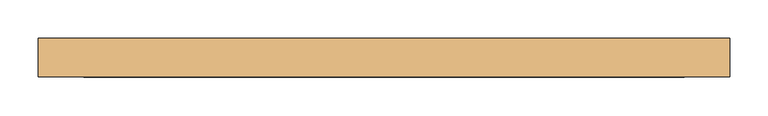
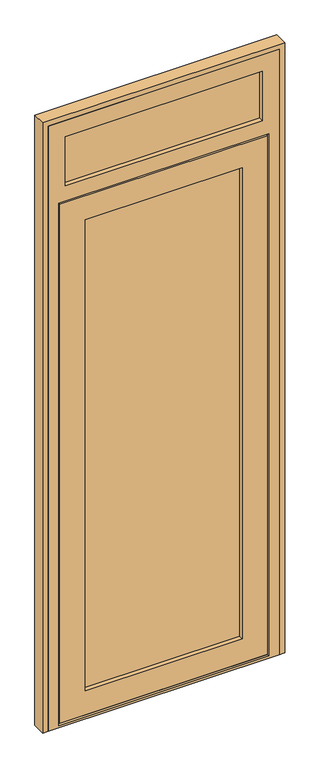
"""IFC4 building model written with IfcOpenShell, lengths in millimetres: door geometry."""

from ifc_helpers import new_model, si_unit, frame, origin, place, context, project, spatial, polyline, outline, extrude, faceted_brep, source, transform, mapped, element, save


def door_e3e9c6ef(model_context):
    return source(origin(), model_context, "Body", "SolidModel", [
        extrude(outline(polyline([(435.0, 91.0), (435.0, 67.0), (-185.0, 67.0), (-185.0, 91.0), (435.0, 91.0)])), frame((0.0, 0.0, 93.0), z_axis=(0.0, 0.0, 1.0), x_axis=(1.0, 0.0, 0.0)), (0.0, 0.0, 1.0), 1888.0),
        extrude(outline(polyline([(509.0, 91.0), (509.0, 67.0), (-259.0, 67.0), (-259.0, 91.0), (509.0, 91.0)])), frame((0.0, 0.0, 2105.0), z_axis=(0.0, 0.0, 1.0), x_axis=(1.0, 0.0, 0.0)), (0.0, 0.0, 1.0), 229.0),
        faceted_brep([(-261.0, 59.0, 17.0), (-251.0, 59.0, 17.0), (-251.0, 91.0, 17.0), (-241.0, 91.0, 17.0), (-241.0, 59.0, 17.0), (491.0, 59.0, 17.0), (491.0, 91.0, 17.0), (501.0, 91.0, 17.0), (501.0, 59.0, 17.0), (511.0, 59.0, 17.0), (511.0, 50.0, 17.0), (-261.0, 50.0, 17.0), (-261.0, 50.0, 2057.0), (-261.0, 59.0, 2057.0), (511.0, 50.0, 2057.0), (-167.0, 50.0, 1963.0), (417.0, 50.0, 1963.0), (417.0, 50.0, 111.0), (-167.0, 50.0, 111.0), (-167.0, 67.0, 111.0), (-167.0, 67.0, 1963.0), (435.0, 67.0, 1981.0), (435.0, 67.0, 93.0), (-185.0, 67.0, 93.0), (-185.0, 67.0, 1981.0), (417.0, 67.0, 111.0), (417.0, 67.0, 1963.0), (-185.0, 91.0, 93.0), (-185.0, 91.0, 1981.0), (435.0, 91.0, 93.0), (435.0, 91.0, 1981.0), (-167.0, 91.0, 1963.0), (417.0, 91.0, 1963.0), (417.0, 91.0, 111.0), (-167.0, 91.0, 111.0), (-167.0, 100.0, 111.0), (-167.0, 100.0, 1963.0), (486.0, 100.0, 2032.0), (486.0, 100.0, 42.0), (-236.0, 100.0, 42.0), (-236.0, 100.0, 2032.0), (417.0, 100.0, 111.0), (417.0, 100.0, 1963.0), (-236.0, 91.0, 42.0), (-236.0, 91.0, 2032.0), (491.0, 91.0, 27.0), (-241.0, 91.0, 27.0), (-251.0, 91.0, 2047.0), (501.0, 91.0, 2047.0), (486.0, 91.0, 42.0), (486.0, 91.0, 2032.0), (-251.0, 59.0, 2047.0), (511.0, 59.0, 2057.0), (501.0, 59.0, 2047.0), (491.0, 59.0, 27.0), (-241.0, 59.0, 27.0)], [[[0, 1, 2, 3, 4, 5, 6, 7, 8, 9, 10, 11]], [[11, 12, 13, 0]], [[10, 14, 12, 11], [15, 16, 17, 18]], [[15, 18, 19, 20]], [[21, 22, 23, 24], [20, 19, 25, 26]], [[23, 27, 28, 24]], [[28, 27, 29, 30], [31, 32, 33, 34]], [[31, 34, 35, 36]], [[37, 38, 39, 40], [36, 35, 41, 42]], [[39, 43, 44, 40]], [[45, 46, 3, 2, 47, 48, 7, 6], [44, 43, 49, 50]], [[1, 51, 47, 2]], [[0, 13, 52, 9, 8, 53, 51, 1]], [[12, 14, 52, 13]], [[15, 20, 26, 16]], [[24, 28, 30, 21]], [[31, 36, 42, 32]], [[40, 44, 50, 37]], [[47, 51, 53, 48]], [[10, 9, 52, 14]], [[26, 25, 17, 16]], [[29, 22, 21, 30]], [[42, 41, 33, 32]], [[49, 38, 37, 50]], [[48, 53, 8, 7]], [[19, 18, 17, 25]], [[22, 29, 27, 23]], [[35, 34, 33, 41]], [[45, 6, 5, 54]], [[55, 4, 3, 46]], [[54, 55, 46, 45]], [[43, 39, 38, 49]], [[4, 55, 54, 5]]]),
        faceted_brep([(555.0, 100.0, 0.0), (555.0, 50.0, 0.0), (-305.0, 50.0, 0.0), (-305.0, 100.0, 0.0), (555.0, 50.0, 2380.0), (-305.0, 50.0, 2380.0), (-266.0, 50.0, 9.0), (-266.0, 50.0, 2062.0), (516.0, 50.0, 2062.0), (516.0, 50.0, 9.0), (491.0, 50.0, 2316.0), (491.0, 50.0, 2123.0), (-241.0, 50.0, 2123.0), (-241.0, 50.0, 2316.0), (-266.0, 59.0, 9.0), (-266.0, 59.0, 2062.0), (516.0, 59.0, 9.0), (516.0, 59.0, 2062.0), (-251.0, 59.0, 2047.0), (501.0, 59.0, 2047.0), (501.0, 59.0, 27.0), (-251.0, 59.0, 27.0), (-251.0, 91.0, 27.0), (-251.0, 91.0, 2047.0), (-241.0, 91.0, 27.0), (-241.0, 91.0, 2037.0), (491.0, 91.0, 2037.0), (491.0, 91.0, 27.0), (501.0, 91.0, 27.0), (501.0, 91.0, 2047.0), (-241.0, 100.0, 27.0), (-241.0, 100.0, 2037.0), (555.0, 100.0, 2380.0), (-305.0, 100.0, 2380.0), (491.0, 100.0, 27.0), (491.0, 100.0, 2037.0), (-241.0, 100.0, 2316.0), (-241.0, 100.0, 2123.0), (491.0, 100.0, 2123.0), (491.0, 100.0, 2316.0), (-241.0, 91.0, 2123.0), (491.0, 91.0, 2123.0), (-259.0, 91.0, 2334.0), (-259.0, 91.0, 2105.0), (509.0, 91.0, 2105.0), (509.0, 91.0, 2334.0), (491.0, 91.0, 2316.0), (-241.0, 91.0, 2316.0), (-259.0, 67.0, 2105.0), (509.0, 67.0, 2105.0), (509.0, 67.0, 2334.0), (-259.0, 67.0, 2334.0), (-241.0, 67.0, 2316.0), (-241.0, 67.0, 2123.0), (491.0, 67.0, 2123.0), (491.0, 67.0, 2316.0)], [[[0, 1, 2, 3]], [[2, 1, 4, 5], [6, 7, 8, 9], [10, 11, 12, 13]], [[14, 15, 7, 6]], [[14, 16, 17, 15], [18, 19, 20, 21]], [[22, 23, 18, 21]], [[24, 25, 26, 27, 28, 29, 23, 22]], [[30, 31, 25, 24]], [[32, 0, 3, 33], [31, 30, 34, 35], [36, 37, 38, 39]], [[2, 5, 33, 3]], [[1, 0, 32, 4]], [[6, 9, 16, 14]], [[21, 20, 28, 27, 34, 30, 24, 22]], [[29, 19, 18, 23]], [[31, 35, 26, 25]], [[37, 40, 41, 38]], [[42, 43, 44, 45], [46, 41, 40, 47]], [[48, 49, 44, 43]], [[50, 49, 48, 51], [52, 53, 54, 55]], [[11, 54, 53, 12]], [[17, 8, 7, 15]], [[13, 12, 53, 52]], [[51, 48, 43, 42]], [[47, 40, 37, 36]], [[5, 4, 32, 33]], [[13, 52, 55, 10]], [[51, 42, 45, 50]], [[47, 36, 39, 46]], [[55, 54, 11, 10]], [[45, 44, 49, 50]], [[39, 38, 41, 46]], [[16, 9, 8, 17]], [[19, 29, 28, 20]], [[34, 27, 26, 35]]]),
        extrude(outline(polyline([(2400.0, -325.0), (0.0, -325.0), (0.0, -305.0), (2380.0, -305.0), (2380.0, 555.0), (0.0, 555.0), (0.0, 575.0), (2400.0, 575.0), (2400.0, -325.0)])), frame((0.0, 50.0, 0.0), z_axis=(0.0, 1.0, 0.0), x_axis=(0.0, 0.0, 1.0)), (0.0, 0.0, 1.0), 50.0),
    ])


if __name__ == "__main__":
    model = new_model("IFC4")
    model_context = context("Model", 3, world=origin())
    ifc_project = project(units=[si_unit("LENGTHUNIT", "METRE", prefix="MILLI")], contexts=[model_context])
    site = spatial("IfcSite", under=ifc_project)
    building = spatial("IfcBuilding", under=site)
    placement = place(None, origin())
    door_shape = door_e3e9c6ef(model_context)
    element("IfcDoor", 1, at=placement, inside=building, context=model_context, shape_type="MappedRepresentation", body=[
        mapped(door_shape, transform((0.0, 0.0, 0.0), x_axis=(1.0, 0.0, 0.0), y_axis=(0.0, 1.0, 0.0), z_axis=(0.0, 0.0, 1.0))),
    ])
    save(model, "model.ifc")
